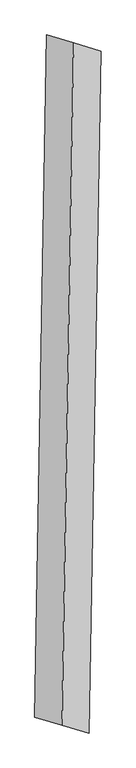
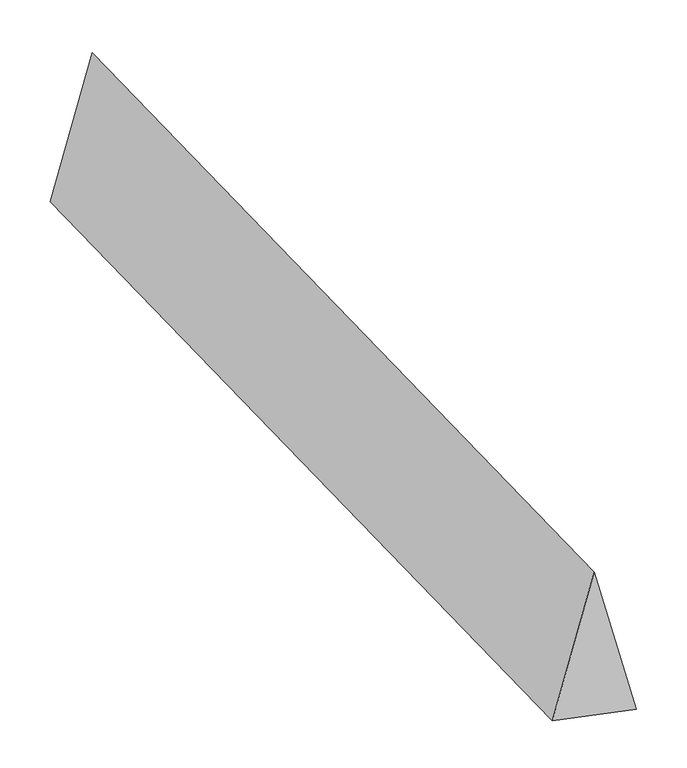
"""IFC4 building model written with IfcOpenShell, lengths in millimetres: proxy geometry."""

from ifc_helpers import new_model, si_unit, origin, place, context, project, spatial, faceted_brep, source, transform, mapped, element, save


def generic_models_9df08eba(model_context):
    return source(origin(), model_context, "Body", "Brep", [
        faceted_brep([(-35.8959926, -2074.7608147, 700.0), (129.7610674, -2123.6734842, 0.0), (201.5530525, 2025.8481452, 0.0), (35.8959926, 2074.7608147, 700.0), (-201.5530525, -2025.8481452, 0.0), (-129.7610674, 2123.6734842, 0.0)], [[[0, 1, 2, 3]], [[1, 4, 5, 2]], [[4, 0, 3, 5]], [[3, 2, 5]], [[0, 4, 1]]]),
    ])


if __name__ == "__main__":
    model = new_model("IFC4")
    model_context = context("Model", 3, world=origin())
    ifc_project = project(units=[si_unit("LENGTHUNIT", "METRE", prefix="MILLI")], contexts=[model_context])
    site = spatial("IfcSite", under=ifc_project)
    building = spatial("IfcBuilding", under=site)
    placement = place(None, origin())
    generic_models_shape = generic_models_9df08eba(model_context)
    element("IfcBuildingElementProxy", 1, Name="Generic Models", at=placement, inside=building, context=model_context, shape_type="MappedRepresentation", body=[
        mapped(generic_models_shape, transform((0.0, 0.0, 0.0), x_axis=(1.0, 0.0, 0.0), y_axis=(0.0, 1.0, 0.0), z_axis=(0.0, 0.0, 1.0))),
    ])
    save(model, "model.ifc")
